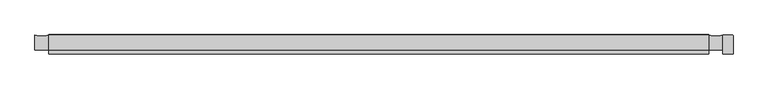
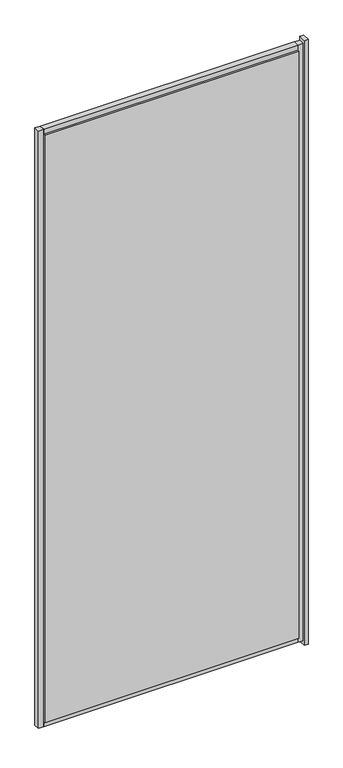
"""IFC4 building model written with IfcOpenShell, lengths in millimetres: plate geometry."""

from ifc_helpers import new_model, si_unit, point, frame, frame_2d, origin, place, context, project, spatial, polyline, circle_curve, trimmed, segment, composite_curve, outline, extrude, source, transform, mapped, element, save
from ifc_brep_helpers import plane_surface, cylinder_surface, advanced_brep


def plate_2c3d73c1(model_context):
    return source(origin(), model_context, "Body", "SolidModel", [
        advanced_brep(
        [(492.4997568, 12.8070793, 2377.9080722), (492.4997568, -14.0, 2377.9080722), (507.4997561, -14.0, 2377.9080722), (507.4997561, 12.3070793, 2377.9080722), (505.9997561, 13.8070793, 2377.9080722), (493.4999995, 13.8070793, 2377.9080722), (492.4999995, 12.8070793, -25.0), (493.4999995, 13.8070793, -25.0), (505.9997561, 13.8070793, -25.0), (507.4997561, 12.3070793, -25.0), (507.4997561, -14.0, -25.0), (492.4997568, -14.0, -25.0)],
        [
            (0, 1),
            (1, 2),
            (2, 3),
            (3, 4, circle_curve(frame((505.9997561, 12.3070793, 2377.9080722), z_axis=(0.0, 0.0, 1.0), x_axis=(1.0, 0.0, 0.0)), 1.5)),
            (4, 5),
            (5, 0, circle_curve(frame((493.4999995, 12.8070793, 2377.9080722), z_axis=(0.0, 0.0, 1.0), x_axis=(1.0, 0.0, 0.0)), 1.0)),
            (6, 7, circle_curve(frame((493.4999995, 12.8070793, -25.0), z_axis=(0.0, 0.0, -1.0), x_axis=(1.0, 0.0, 0.0)), 1.0)),
            (7, 8),
            (8, 9, circle_curve(frame((505.9997561, 12.3070793, -25.0), z_axis=(0.0, 0.0, -1.0), x_axis=(1.0, 0.0, 0.0)), 1.5)),
            (9, 10),
            (10, 11),
            (11, 6),
            (0, 6),
            (11, 1),
            (10, 2),
            (9, 3),
            (8, 4),
            (7, 5),
        ],
        [
            plane_surface(frame((492.4997568, -14.0, 2377.9080722), z_axis=(0.0, 0.0, 1.0), x_axis=(0.0, -1.0, 0.0))),
            plane_surface(frame((492.4997568, -14.0, -25.0), z_axis=(0.0, 0.0, -1.0), x_axis=(0.0, 1.0, 0.0))),
            plane_surface(frame((492.4997568, 12.8070793, 2377.9080722), z_axis=(-1.0, 0.0, 0.0), x_axis=(0.0, 0.0, -1.0))),
            plane_surface(frame((492.4997568, -14.0, 2377.9080722), z_axis=(0.0, -1.0, 0.0), x_axis=(0.0, 0.0, -1.0))),
            plane_surface(frame((507.4997561, -14.0, 2377.9080722), z_axis=(1.0, 0.0, 0.0), x_axis=(0.0, 0.0, -1.0))),
            cylinder_surface(frame((505.9997561, 12.3070793, -25.0), z_axis=(0.0, 0.0, 1.0), x_axis=(1.0, 0.0, 0.0)), 1.5),
            plane_surface(frame((505.9997561, 13.8070793, 2377.9080722), z_axis=(0.0, 1.0, 0.0), x_axis=(0.0, 0.0, -1.0))),
            cylinder_surface(frame((493.4999995, 12.8070793, -25.0), z_axis=(0.0, 0.0, 1.0), x_axis=(1.0, 0.0, 0.0)), 1.0),
        ],
        [
            (0, [[1, 2, 3, 4, 5, 6]]),
            (1, [[7, 8, 9, 10, 11, 12]]),
            (2, [[-1, 13, -12, 14]]),
            (3, [[-2, -14, -11, 15]]),
            (4, [[-3, -15, -10, 16]]),
            (5, [[-4, -16, -9, 17]]),
            (6, [[-5, -17, -8, 18]]),
            (7, [[-6, -18, -7, -13]]),
        ],
    ),
        extrude(outline(polyline([(472.4997568, 14.0), (472.4997568, 8.0), (-482.4997568, 8.0), (-482.4997568, 14.0), (472.4997568, 14.0)])), frame((0.0, 0.0, 10.0), z_axis=(0.0, 0.0, 1.0), x_axis=(1.0, 0.0, 0.0)), (0.0, 0.0, 1.0), 2332.9080722),
        extrude(outline(polyline([(472.4997568, -8.0), (472.4997568, -14.0), (-482.4997568, -14.0), (-482.4997568, -8.0), (472.4997568, -8.0)])), frame((0.0, 0.0, 10.0), z_axis=(0.0, 0.0, 1.0), x_axis=(1.0, 0.0, 0.0)), (0.0, 0.0, 1.0), 2332.9080722),
        extrude(outline(composite_curve([segment(polyline([(13.499631, -10.0), (-8.0, -10.0), (-8.0, 10.0), (13.499631, 10.0)]), True, "CONTINUOUS"), segment(trimmed(circle_curve(frame_2d((45.6328576, 0.0)), 33.6532948), [point((13.499631, 10.0))], [point((13.499631, -10.0))], True, "CARTESIAN"), True, "CONTINUOUS")], self_intersect=False)), frame((-482.4997568, 0.0, 0.0), z_axis=(1.0, 0.0, 0.0), x_axis=(0.0, 1.0, 0.0)), (0.0, 0.0, 1.0), 954.9995136),
        extrude(outline(composite_curve([segment(trimmed(circle_curve(frame_2d((45.6328576, 2352.9080722)), 33.6532948), [point((13.499631, 2362.9080722))], [point((13.499631, 2342.9080722))], True, "CARTESIAN"), True, "CONTINUOUS"), segment(polyline([(13.499631, 2342.9080722), (-8.0, 2342.9080722), (-8.0, 2362.9080722), (13.499631, 2362.9080722)]), True, "CONTINUOUS")], self_intersect=False)), frame((-482.4997568, 0.0, 0.0), z_axis=(1.0, 0.0, 0.0), x_axis=(0.0, 1.0, 0.0)), (0.0, 0.0, 1.0), 954.9995136),
        extrude(outline(composite_curve([segment(polyline([(492.4997568, -8.0), (472.4997568, -8.0), (472.4997568, 13.499631)]), True, "CONTINUOUS"), segment(trimmed(circle_curve(frame_2d((482.4997568, 45.6328576)), 33.6532948), [point((472.4997568, 13.499631))], [point((492.4997568, 13.499631))], True, "CARTESIAN"), True, "CONTINUOUS"), segment(polyline([(492.4997568, 13.499631), (492.4997568, -8.0)]), True, "CONTINUOUS")], self_intersect=False)), frame((0.0, 0.0, -10.0), z_axis=(0.0, 0.0, 1.0), x_axis=(1.0, 0.0, 0.0)), (0.0, 0.0, 1.0), 2372.9080722),
        extrude(outline(composite_curve([segment(polyline([(-482.4997568, -8.0), (-502.4997568, -8.0), (-502.4997568, 13.499631)]), True, "CONTINUOUS"), segment(trimmed(circle_curve(frame_2d((-492.4997568, 45.6328576)), 33.6532948), [point((-502.4997568, 13.499631))], [point((-482.4997568, 13.499631))], True, "CARTESIAN"), True, "CONTINUOUS"), segment(polyline([(-482.4997568, 13.499631), (-482.4997568, -8.0)]), True, "CONTINUOUS")], self_intersect=False)), frame((0.0, 0.0, -10.0), z_axis=(0.0, 0.0, 1.0), x_axis=(1.0, 0.0, 0.0)), (0.0, 0.0, 1.0), 2372.9080722),
    ])


if __name__ == "__main__":
    model = new_model("IFC4")
    model_context = context("Model", 3, world=origin())
    ifc_project = project(units=[si_unit("LENGTHUNIT", "METRE", prefix="MILLI")], contexts=[model_context])
    site = spatial("IfcSite", under=ifc_project)
    building = spatial("IfcBuilding", under=site)
    placement = place(None, origin())
    plate_shape = plate_2c3d73c1(model_context)
    element("IfcPlate", 1, at=placement, inside=building, context=model_context, shape_type="MappedRepresentation", body=[
        mapped(plate_shape, transform((0.0, 0.0, 0.0), x_axis=(1.0, 0.0, 0.0), y_axis=(0.0, 1.0, 0.0), z_axis=(0.0, 0.0, 1.0))),
    ])
    save(model, "model.ifc")
